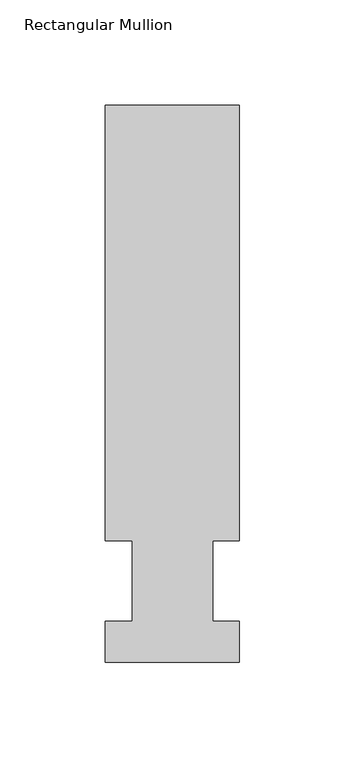
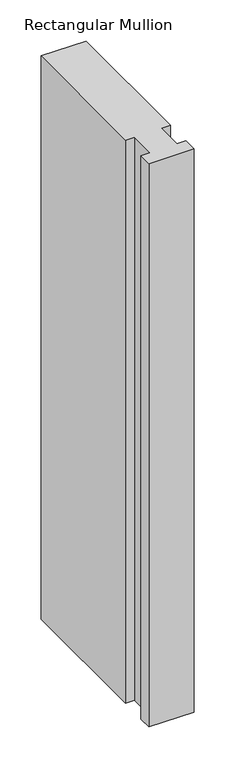
"""IFC4 building model written with IfcOpenShell, lengths in millimetres: member geometry, Rectangular Mullion."""

from ifc_helpers import new_model, si_unit, frame, origin, place, context, project, spatial, polyline, outline, extrude, source, transform, mapped, element, save


def rectangular_mullion_2fc25a98(model_context):
    return source(origin(), model_context, "Body", "SweptSolid", [
        extrude(outline(polyline([(-31.75, 264.0210938), (31.75, 264.0210938), (31.75, 57.6460937), (19.05, 57.6460938), (19.05, 19.5460937), (31.75, 19.5460937), (31.75, 0.0134938), (-31.75, 0.0134938), (-31.75, 19.5460937), (-19.05, 19.5460937), (-19.05, 57.6460938), (-31.75, 57.6460938), (-31.75, 264.0210938)])), frame((0.0, 0.0, -838.2), z_axis=(0.0, 0.0, 1.0), x_axis=(1.0, 0.0, 0.0)), (0.0, 0.0, 1.0), 838.2),
    ])


if __name__ == "__main__":
    model = new_model("IFC4")
    model_context = context("Model", 3, world=origin())
    ifc_project = project(units=[si_unit("LENGTHUNIT", "METRE", prefix="MILLI")], contexts=[model_context])
    site = spatial("IfcSite", under=ifc_project)
    building = spatial("IfcBuilding", under=site)
    placement = place(None, origin())
    rectangular_mullion_shape = rectangular_mullion_2fc25a98(model_context)
    element("IfcMember", 1, ObjectType="Rectangular Mullion", at=placement, inside=building, context=model_context, shape_type="MappedRepresentation", body=[
        mapped(rectangular_mullion_shape, transform((0.0, 0.0, 0.0), x_axis=(1.0, 0.0, 0.0), y_axis=(0.0, 1.0, 0.0), z_axis=(0.0, 0.0, 1.0))),
    ])
    save(model, "model.ifc")
